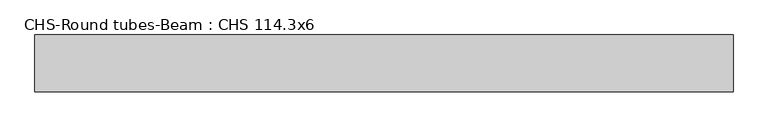
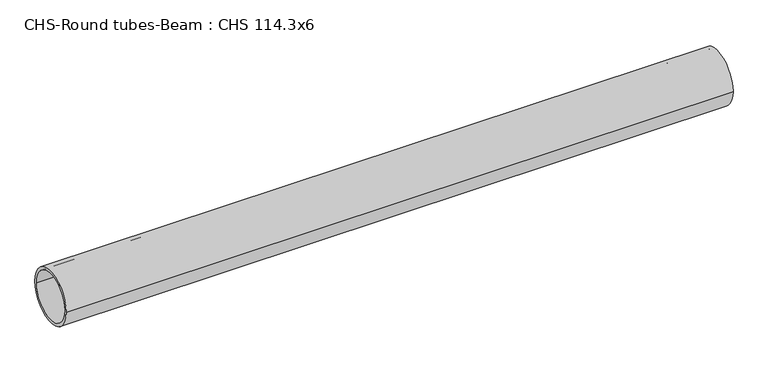
"""IFC4 building model written with IfcOpenShell, lengths in millimetres: beam geometry, CHS-Round tubes-Beam : CHS 114.3x6."""

from ifc_helpers import new_model, si_unit, point, frame, origin, origin_2d, place, context, project, spatial, circle_curve, trimmed, segment, composite_curve, outline, extrude, source, transform, mapped, element, save


def chs_round_tubes_beam_chs_114_3x6_6f3a187e(model_context):
    return source(origin(), model_context, "Body", "SweptSolid", [
        extrude(outline(composite_curve([segment(trimmed(circle_curve(origin_2d(), 57.15), [point((57.15, 0.0))], [point((-57.15, 0.0))], False, "CARTESIAN"), True, "CONTINUOUS"), segment(trimmed(circle_curve(origin_2d(), 57.15), [point((-57.15, 0.0))], [point((57.15, 0.0))], False, "CARTESIAN"), True, "CONTINUOUS")], self_intersect=False), holes=[composite_curve([segment(trimmed(circle_curve(origin_2d(), 51.15), [point((51.15, 0.0))], [point((-51.15, 0.0))], True, "CARTESIAN"), True, "CONTINUOUS"), segment(trimmed(circle_curve(origin_2d(), 51.15), [point((-51.15, 0.0))], [point((51.15, 0.0))], True, "CARTESIAN"), True, "CONTINUOUS")], self_intersect=False)]), frame((-701.5963222, 0.0, 0.0), z_axis=(1.0, 0.0, 0.0), x_axis=(0.0, 1.0, 0.0)), (0.0, 0.0, 1.0), 1403.192577),
    ])


if __name__ == "__main__":
    model = new_model("IFC4")
    model_context = context("Model", 3, world=origin())
    ifc_project = project(units=[si_unit("LENGTHUNIT", "METRE", prefix="MILLI")], contexts=[model_context])
    site = spatial("IfcSite", under=ifc_project)
    building = spatial("IfcBuilding", under=site)
    placement = place(None, origin())
    chs_round_tubes_beam_chs_114_3x6_shape = chs_round_tubes_beam_chs_114_3x6_6f3a187e(model_context)
    element("IfcBeam", 1, ObjectType="CHS-Round tubes-Beam : CHS 114.3x6", at=placement, inside=building, context=model_context, shape_type="MappedRepresentation", body=[
        mapped(chs_round_tubes_beam_chs_114_3x6_shape, transform((0.0, 0.0, 0.0), x_axis=(1.0, 0.0, 0.0), y_axis=(0.0, 1.0, 0.0), z_axis=(0.0, 0.0, 1.0))),
    ])
    save(model, "model.ifc")
